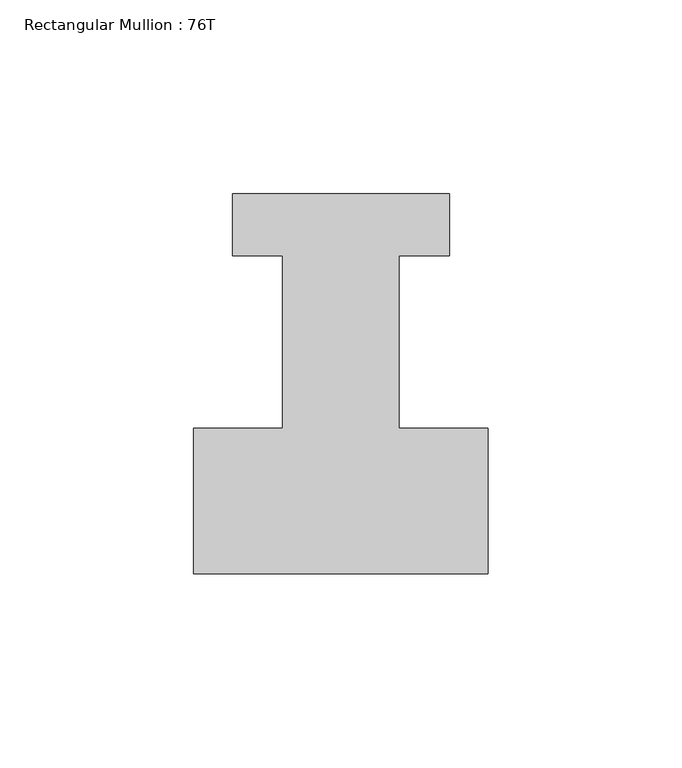
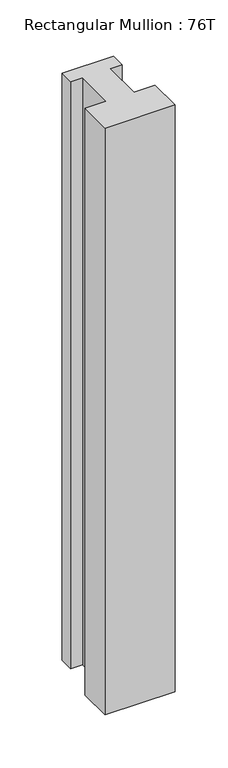
"""IFC4 building model written with IfcOpenShell, lengths in millimetres: member geometry, Rectangular Mullion : 76T."""

from ifc_helpers import new_model, si_unit, frame, origin, place, context, project, spatial, polyline, outline, extrude, source, transform, mapped, element, save


def rectangular_mullion_76t_7d253c0d(model_context):
    return source(origin(), model_context, "Body", "SweptSolid", [
        extrude(outline(polyline([(38.0, -38.0), (-38.0, -38.0), (-38.0, -0.5), (-15.0, -0.5), (-15.0, 44.0), (-28.0, 44.0), (-28.0, 60.0), (28.0, 60.0), (28.0, 44.0), (15.0, 44.0), (15.0, -0.5), (38.0, -0.5), (38.0, -38.0)])), frame((0.0, 0.0, -674.0), z_axis=(0.0, 0.0, 1.0), x_axis=(1.0, 0.0, 0.0)), (0.0, 0.0, 1.0), 674.0),
    ])


if __name__ == "__main__":
    model = new_model("IFC4")
    model_context = context("Model", 3, world=origin())
    ifc_project = project(units=[si_unit("LENGTHUNIT", "METRE", prefix="MILLI")], contexts=[model_context])
    site = spatial("IfcSite", under=ifc_project)
    building = spatial("IfcBuilding", under=site)
    placement = place(None, origin())
    rectangular_mullion_76t_shape = rectangular_mullion_76t_7d253c0d(model_context)
    element("IfcMember", 1, ObjectType="Rectangular Mullion : 76T", at=placement, inside=building, context=model_context, shape_type="MappedRepresentation", body=[
        mapped(rectangular_mullion_76t_shape, transform((0.0, 0.0, 0.0), x_axis=(1.0, 0.0, 0.0), y_axis=(0.0, 1.0, 0.0), z_axis=(0.0, 0.0, 1.0))),
    ])
    save(model, "model.ifc")
